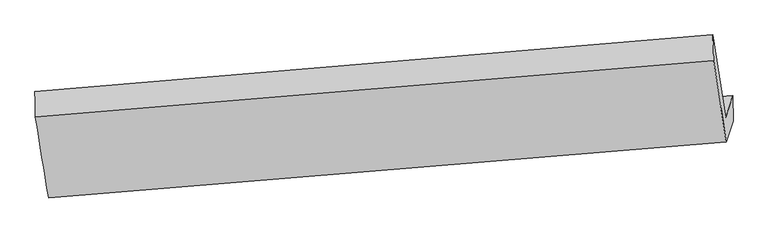
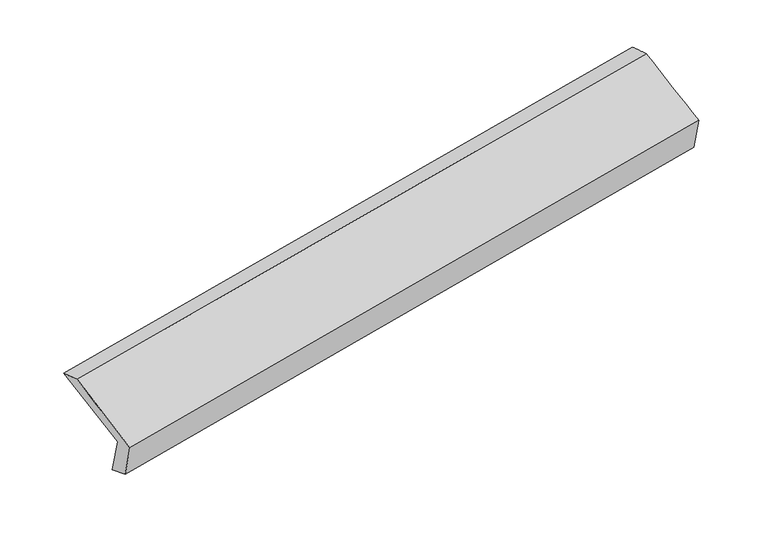
"""IFC4 building model written with IfcOpenShell, lengths in millimetres: proxy geometry."""

from ifc_helpers import new_model, si_unit, frame, origin, place, context, project, spatial, source, transform, mapped, element, save
from ifc_brep_helpers import plane_surface, spline_surface, advanced_brep


def generic_models_c2ce87a5(model_context):
    return source(origin(), model_context, "Body", "AdvancedBrep", [
        advanced_brep(
        [(-5322.2066348, -1880.1980943, 1492.9232091), (-5416.4085433, -1272.8879276, 1753.6013418), (-468.7953194, -858.4476635, 2628.6970046), (-375.7123606, -1461.2233782, 2369.9051935), (-5269.4809151, -1715.3089798, 1127.8294009), (-324.2965967, -1300.4308876, 2013.882039), (-5267.4948903, -1895.1810434, 1194.8756133), (-322.2001635, -1486.9746016, 2082.697806), (-5317.0814155, -2050.2529568, 1538.2323931), (-371.9784826, -1642.6463122, 2427.3826435), (-5412.5612918, -1458.4414216, 1812.7539326), (-464.0145486, -1046.6499436, 2683.2638542)],
        [
            (0, 1),
            (1, 2),
            (2, 3),
            (3, 0),
            (4, 0),
            (3, 5),
            (5, 4),
            (6, 4),
            (5, 7),
            (7, 6),
            (8, 6),
            (7, 9),
            (9, 8),
            (10, 8),
            (9, 11),
            (11, 10),
            (1, 10),
            (11, 2),
        ],
        [
            spline_surface(1, 1, [[(-5322.2066348, -1880.1980943, 1492.9232091), (-375.7123606, -1461.2233782, 2369.9051935)], [(-5416.4085433, -1272.8879276, 1753.6013418), (-468.7953194, -858.4476635, 2628.6970046)]], [2, 2], [2, 2], [0.0, 1.0], [0.0, 1.0]),
            plane_surface(frame((-5295.8437749, -1797.753537, 1310.376305), z_axis=(-0.14609260352126702, 0.9093290397512102, 0.38958650985566745), x_axis=(-0.13049085573724398, -0.4080839824226368, 0.9035704731004898))),
            spline_surface(1, 1, [[(-5267.4948903, -1895.1810434, 1194.8756133), (-322.2001635, -1486.9746016, 2082.697806)], [(-5269.4809151, -1715.3089798, 1127.8294009), (-324.2965967, -1300.4308876, 2013.882039)]], [2, 2], [2, 2], [0.0, 1.0], [0.0, 1.0]),
            plane_surface(frame((-5292.2881529, -1972.7170001, 1366.5540032), z_axis=(0.14504330864802453, -0.9094153635484137, -0.3897770326206261), x_axis=(0.130490855737288, 0.4080839824226398, -0.9035704731004821))),
            spline_surface(1, 1, [[(-5412.5612918, -1458.4414216, 1812.7539326), (-464.0145486, -1046.6499436, 2683.2638542)], [(-5317.0814155, -2050.2529568, 1538.2323931), (-371.9784826, -1642.6463122, 2427.3826435)]], [2, 2], [2, 2], [0.0, 1.0], [0.0, 1.0]),
            spline_surface(1, 1, [[(-5416.4085433, -1272.8879276, 1753.6013418), (-468.7953194, -858.4476635, 2628.6970046)], [(-5412.5612918, -1458.4414216, 1812.7539326), (-464.0145486, -1046.6499436, 2683.2638542)]], [2, 2], [2, 2], [0.0, 1.0], [0.0, 1.0]),
            plane_surface(frame((-387.8329119, -1299.3954645, 2367.6380901), z_axis=(0.9814450099145383, 0.07597439621675123, 0.1760499464167824), x_axis=(0.130490855737288, 0.4080839824226398, -0.9035704731004821))),
            plane_surface(frame((-5334.2056151, -1712.0450706, 1486.7026485), z_axis=(-0.9813560882828624, -0.07654894191832631, -0.17629658953406793), x_axis=(0.14111117800907622, -0.9097294778016476, -0.39048676374447383))),
        ],
        [
            (0, [[1, 2, 3, 4]]),
            (1, [[5, -4, 6, 7]]),
            (2, [[8, -7, 9, 10]]),
            (3, [[11, -10, 12, 13]]),
            (4, [[14, -13, 15, 16]]),
            (5, [[17, -16, 18, -2]]),
            (6, [[-12, -9, -6, -3, -18, -15]]),
            (7, [[-1, -5, -8, -11, -14, -17]]),
        ],
    ),
    ])


if __name__ == "__main__":
    model = new_model("IFC4")
    model_context = context("Model", 3, world=origin())
    ifc_project = project(units=[si_unit("LENGTHUNIT", "METRE", prefix="MILLI")], contexts=[model_context])
    site = spatial("IfcSite", under=ifc_project)
    building = spatial("IfcBuilding", under=site)
    placement = place(None, origin())
    generic_models_shape = generic_models_c2ce87a5(model_context)
    element("IfcBuildingElementProxy", 1, Name="Generic Models", at=placement, inside=building, context=model_context, shape_type="MappedRepresentation", body=[
        mapped(generic_models_shape, transform((0.0, 0.0, 0.0), x_axis=(1.0, 0.0, 0.0), y_axis=(0.0, 1.0, 0.0), z_axis=(0.0, 0.0, 1.0))),
    ])
    save(model, "model.ifc")
